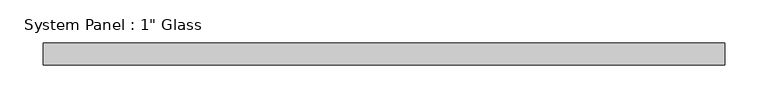
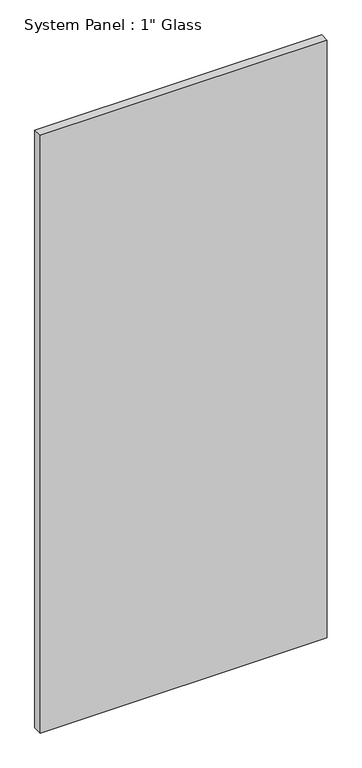
"""IFC4 building model written with IfcOpenShell, lengths in millimetres: plate geometry."""

from ifc_helpers import new_model, si_unit, origin, origin_with_axes, place, context, project, spatial, polyline, outline, extrude, source, transform, mapped, element, save


def plate_74ca6063(model_context):
    return source(origin(), model_context, "Body", "SweptSolid", [
        extrude(outline(polyline([(395.2875, -12.7), (-395.2875, -12.7), (-395.2875, 12.7), (395.2875, 12.7), (395.2875, -12.7)])), origin_with_axes(), (0.0, 0.0, 1.0), 1739.9),
    ])


if __name__ == "__main__":
    model = new_model("IFC4")
    model_context = context("Model", 3, world=origin())
    ifc_project = project(units=[si_unit("LENGTHUNIT", "METRE", prefix="MILLI")], contexts=[model_context])
    site = spatial("IfcSite", under=ifc_project)
    building = spatial("IfcBuilding", under=site)
    placement = place(None, origin())
    plate_shape = plate_74ca6063(model_context)
    element("IfcPlate", 1, ObjectType="System Panel : 1\" Glass", at=placement, inside=building, context=model_context, shape_type="MappedRepresentation", body=[
        mapped(plate_shape, transform((0.0, 0.0, 0.0), x_axis=(1.0, 0.0, 0.0), y_axis=(0.0, 1.0, 0.0), z_axis=(0.0, 0.0, 1.0))),
    ])
    save(model, "model.ifc")
